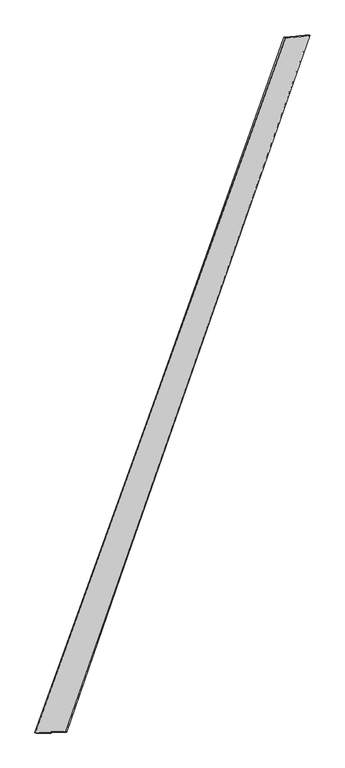
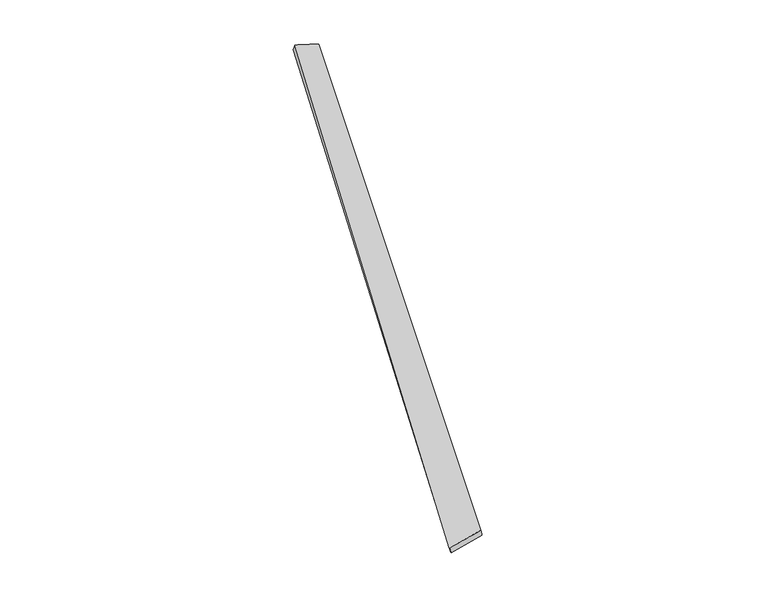
"""IFC4 building model written with IfcOpenShell, lengths in millimetres: proxy geometry."""

import ifcopenshell
import ifcopenshell.guid

model = None  # the IFC model being written
_history = None  # IfcOwnerHistory: only IFC2X3 demands one
_inside = {}  # id of a spatial element -> (the spatial element, [elements in it])
_under = {}  # id of a project, library or spatial element -> (it, [spatial elements below it])
_declared = {}  # id of a project -> (the project, [libraries it declares])
_typed = {}  # id of a type object -> (the type object, [elements of that type])
_made_of = {}  # id of a material, layer set ... -> (it, [elements and type objects made of it])


def new_model(schema):
    """Start an empty IFC model of exactly this schema.

    Asked for "IFC4X3", IfcOpenShell would pick the latest addendum, in which some entities
    have other attributes; the version numbers below select the first issue.
    IFC2X3 requires an IfcOwnerHistory on every rooted entity: one is made here for all.
    """
    global model, _history
    if schema == "IFC4X3":
        model = ifcopenshell.file(schema_version=(4, 3, 0, 0))
    else:
        model = ifcopenshell.file(schema=schema)
    _inside.clear()
    _under.clear()
    _declared.clear()
    _typed.clear()
    _made_of.clear()
    _history = None
    if model.schema == "IFC2X3":
        org = make("IfcOrganization", Name="unknown")
        user = make(
            "IfcPersonAndOrganization",
            ThePerson=make("IfcPerson", FamilyName="unknown"),
            TheOrganization=org,
        )
        app = make(
            "IfcApplication",
            ApplicationDeveloper=org,
            Version="unknown",
            ApplicationFullName="unknown",
            ApplicationIdentifier="unknown",
        )
        _history = make(
            "IfcOwnerHistory",
            OwningUser=user,
            OwningApplication=app,
            ChangeAction="ADDED",
            CreationDate=0,
        )
    return model


def make(cls, **values):
    """One entity of the class cls with the attributes given. An attribute that is None is left unset."""
    return model.create_entity(
        cls, **{name: value for name, value in values.items() if value is not None}
    )


def rooted(cls, **values):
    """An entity with a GlobalId (a new one), such as an element, a storey or a relation."""
    return make(cls, GlobalId=ifcopenshell.guid.new(), OwnerHistory=_history, **values)


def si_unit(unit_type, name, prefix=None):
    """IfcSIUnit, for example si_unit("LENGTHUNIT", "METRE", prefix="MILLI")."""
    return make("IfcSIUnit", UnitType=unit_type, Prefix=prefix, Name=name)


def assignment(units):
    """IfcUnitAssignment: the units of a project."""
    return None if units is None else make("IfcUnitAssignment", Units=units)


def point(xyz):
    """IfcCartesianPoint."""
    return None if xyz is None else make("IfcCartesianPoint", Coordinates=xyz)


def direction(xyz):
    """IfcDirection."""
    return None if xyz is None else make("IfcDirection", DirectionRatios=xyz)


def frame(location, z_axis=None, x_axis=None):
    """IfcAxis2Placement3D, a coordinate frame: its origin and axes. An axis left out is left unset."""
    return make(
        "IfcAxis2Placement3D",
        Location=point(location),
        Axis=direction(z_axis),
        RefDirection=direction(x_axis),
    )


def origin():
    """The frame at (0, 0, 0) with its axes left unset."""
    return frame((0.0, 0.0, 0.0))


def place(relative_to, where):
    """IfcLocalPlacement: puts the frame where relative to a parent placement (None: the world)."""
    return make(
        "IfcLocalPlacement", PlacementRelTo=relative_to, RelativePlacement=where
    )


def context(
    kind, dimensions, precision=None, world=None, true_north=None, identifier=None
):
    """IfcGeometricRepresentationContext, for example the 3D "Model" context."""
    return make(
        "IfcGeometricRepresentationContext",
        ContextIdentifier=identifier,
        ContextType=kind,
        CoordinateSpaceDimension=dimensions,
        Precision=precision,
        WorldCoordinateSystem=world,
        TrueNorth=true_north,
    )


def project(units=None, contexts=None):
    """IfcProject with its units and contexts."""
    return rooted(
        "IfcProject",
        Name="project",
        RepresentationContexts=contexts,
        UnitsInContext=assignment(units),
    )


def spatial(cls, under=None, at=None, **own):
    """A site, building, storey or space (cls), placed at a placement, below another one or the project."""
    s = rooted(cls, ObjectPlacement=at, **own)
    if under is not None:
        _under.setdefault(under.id(), (under, []))[1].append(s)
    return s


def shape(context_of_items, identifier, shape_type, items):
    """IfcShapeRepresentation: the items that make up one representation, for example the "Body"."""
    return make(
        "IfcShapeRepresentation",
        ContextOfItems=context_of_items,
        RepresentationIdentifier=identifier,
        RepresentationType=shape_type,
        Items=items,
    )


def source(mapping_origin, context_of_items, identifier, shape_type, items):
    """IfcRepresentationMap: a shape defined once, which mapped items show again and again."""
    return make(
        "IfcRepresentationMap",
        MappingOrigin=mapping_origin,
        MappedRepresentation=shape(context_of_items, identifier, shape_type, items),
    )


def transform(
    local_origin,
    x_axis=None,
    y_axis=None,
    z_axis=None,
    scale=None,
    scale2=None,
    scale3=None,
    uniform=True,
):
    """IfcCartesianTransformationOperator3D, or its non-uniform kind. x_axis, y_axis, z_axis: its Axis1, 2, 3."""
    if uniform:
        return make(
            "IfcCartesianTransformationOperator3D",
            Axis1=direction(x_axis),
            Axis2=direction(y_axis),
            LocalOrigin=point(local_origin),
            Scale=scale,
            Axis3=direction(z_axis),
        )
    return make(
        "IfcCartesianTransformationOperator3DnonUniform",
        Axis1=direction(x_axis),
        Axis2=direction(y_axis),
        LocalOrigin=point(local_origin),
        Scale=scale,
        Axis3=direction(z_axis),
        Scale2=scale2,
        Scale3=scale3,
    )


def mapped(mapping_source, mapping_target):
    """IfcMappedItem: shows the shape of a source again, moved by a transform."""
    return make(
        "IfcMappedItem", MappingSource=mapping_source, MappingTarget=mapping_target
    )


def made_of(thing, what):
    """Note that an element or type object is made of a material, layer set ...; save() writes the relation."""
    if what is not None:
        _made_of.setdefault(what.id(), (what, []))[1].append(thing)
    return thing


def element(
    cls,
    number,
    at=None,
    inside=None,
    cuts=None,
    type_object=None,
    material=None,
    context=None,
    identifier="Body",
    shape_type=None,
    held_by="IfcProductDefinitionShape",
    body=None,
    shapes=None,
    **own,
):
    """One element of the class cls, such as IfcWall. Its Tag is "e" and its number.

    at: its placement. inside: the storey or other place that contains it. cuts: it is an
    opening in that element (IfcRelVoidsElement). A single representation is given by context,
    identifier, shape_type and body (its items); several are given by shapes. held_by: the class
    of the entity that holds the representations. save() writes the other relations.
    """
    e = rooted(cls, Tag="e%d" % number, ObjectPlacement=at, **own)
    if body is not None:
        shapes = [shape(context, identifier, shape_type, body)]
    if shapes is not None:
        e.Representation = make(held_by, Representations=shapes)
    if inside is not None:
        _inside.setdefault(inside.id(), (inside, []))[1].append(e)
    if cuts is not None:
        rooted(
            "IfcRelVoidsElement", RelatingBuildingElement=cuts, RelatedOpeningElement=e
        )
    if type_object is not None:
        _typed.setdefault(type_object.id(), (type_object, []))[1].append(e)
    return made_of(e, material)


def aggregate(whole, parts):
    """IfcRelAggregates: a whole, such as a stair, and the parts it consists of."""
    return rooted("IfcRelAggregates", RelatingObject=whole, RelatedObjects=parts)


def save(model, path):
    """Write the relations noted so far, then the file.

    IfcRelAggregates (storeys below a building ...), IfcRelContainedInSpatialStructure (elements
    in a storey), IfcRelDefinesByType, IfcRelAssociatesMaterial and IfcRelDeclares: one each for
    every whole, place, type object, material and project.
    """
    for whole, parts in _under.values():
        aggregate(whole, parts)
    for where, things in _inside.values():
        rooted(
            "IfcRelContainedInSpatialStructure",
            RelatedElements=things,
            RelatingStructure=where,
        )
    for kind, things in _typed.values():
        rooted("IfcRelDefinesByType", RelatedObjects=things, RelatingType=kind)
    for what, things in _made_of.values():
        rooted("IfcRelAssociatesMaterial", RelatedObjects=things, RelatingMaterial=what)
    for by, libraries in _declared.values():
        rooted("IfcRelDeclares", RelatingContext=by, RelatedDefinitions=libraries)
    model.write(path)


def spline_surface(u_degree, v_degree, points, u_multiplicities, v_multiplicities, u_knots, v_knots, weights=None):
    """IfcBSplineSurfaceWithKnots; with weights, IfcRationalBSplineSurfaceWithKnots. points: one row for each step in u."""
    own = dict(
        UDegree=u_degree,
        VDegree=v_degree,
        ControlPointsList=[[point(p) for p in row] for row in points],
        SurfaceForm="UNSPECIFIED",
        UClosed=False,
        VClosed=False,
        SelfIntersect=False,
        UMultiplicities=u_multiplicities,
        VMultiplicities=v_multiplicities,
        UKnots=u_knots,
        VKnots=v_knots,
        KnotSpec="UNSPECIFIED",
    )
    if weights is None:
        return make("IfcBSplineSurfaceWithKnots", **own)
    return make("IfcRationalBSplineSurfaceWithKnots", WeightsData=weights, **own)


def advanced_brep(points, edges, surfaces, faces):
    """IfcAdvancedBrep: a solid bounded by faces that lie on surfaces and meet in shared edges.

    An edge is (start, end): straight between two places in points (the first is 0);
    or (start, end, curve); or (start, end, curve, False) where it runs against its curve.
    A face is (place in surfaces, loops), or (place, loops, False) where it looks against
    its surface's normal. A loop lists edges by number (the first is 1), with a minus sign
    where the edge is run from its end to its start. The first loop is the outer one.
    """
    corners = [point(p) for p in points]
    vertices = [make("IfcVertexPoint", VertexGeometry=c) for c in corners]
    made = []
    for start, end, *more in edges:
        made.append(
            make(
                "IfcEdgeCurve",
                EdgeStart=vertices[start],
                EdgeEnd=vertices[end],
                EdgeGeometry=more[0] if more else make("IfcPolyline", Points=[corners[start], corners[end]]),
                SameSense=more[1] if len(more) > 1 else True,
            )
        )
    hull = []
    for where, loops, *sense in faces:
        bounds = []
        for j, loop in enumerate(loops):
            ring = [make("IfcOrientedEdge", EdgeElement=made[abs(k) - 1], Orientation=k > 0) for k in loop]
            bounds.append(
                make(
                    "IfcFaceOuterBound" if j == 0 else "IfcFaceBound",
                    Bound=make("IfcEdgeLoop", EdgeList=ring),
                    Orientation=True,
                )
            )
        hull.append(make("IfcAdvancedFace", Bounds=bounds, FaceSurface=surfaces[where], SameSense=sense[0] if sense else True))
    return make("IfcAdvancedBrep", Outer=make("IfcClosedShell", CfsFaces=hull))


def generic_models_e08b6bd6(model_context):
    return source(origin(), model_context, "Body", "AdvancedBrep", [
        advanced_brep(
        [(-740.6872711, -1876.4077535, -19.8637148), (-748.6005967, -1873.9070781, 8.9655394), (738.3187183, 2242.2446289, 54.3993821), (729.2037898, 2245.810606, 26.0409286), (-564.5990288, -1868.27207, 49.2945426), (883.1898491, 2257.0356472, 1.1668768), (-559.5395338, -1870.3508516, 19.7974211), (871.0230151, 2260.947999, -25.9746348)],
        [
            (0, 1),
            (1, 2),
            (2, 3),
            (3, 0),
            (1, 4),
            (4, 5),
            (5, 2),
            (4, 6),
            (6, 7),
            (7, 5),
            (6, 0),
            (3, 7),
        ],
        [
            spline_surface(1, 1, [[(-740.6872711, -1876.4077535, -19.8637148), (729.2037898, 2245.810606, 26.0409286)], [(-748.6005967, -1873.9070781, 8.9655394), (738.3187183, 2242.2446289, 54.3993821)]], [2, 2], [2, 2], [0.0, 1.0], [0.0, 1.0]),
            spline_surface(1, 1, [[(-748.6005967, -1873.9070781, 8.9655394), (738.3187183, 2242.2446289, 54.3993821)], [(-564.5990288, -1868.27207, 49.2945426), (883.1898491, 2257.0356472, 1.1668768)]], [2, 2], [2, 2], [0.0, 1.0], [0.0, 1.0]),
            spline_surface(1, 1, [[(-564.5990288, -1868.27207, 49.2945426), (883.1898491, 2257.0356472, 1.1668768)], [(-559.5395338, -1870.3508516, 19.7974211), (871.0230151, 2260.947999, -25.9746348)]], [2, 2], [2, 2], [0.0, 1.0], [0.0, 1.0]),
            spline_surface(1, 1, [[(-559.5395338, -1870.3508516, 19.7974211), (871.0230151, 2260.947999, -25.9746348)], [(-740.6872711, -1876.4077535, -19.8637148), (729.2037898, 2245.810606, 26.0409286)]], [2, 2], [2, 2], [0.0, 1.0], [0.0, 1.0]),
            spline_surface(1, 1, [[(738.3187183, 2242.2446289, 54.3993821), (729.2037898, 2245.810606, 26.0409286)], [(883.1898491, 2257.0356472, 1.1668768), (871.0230151, 2260.947999, -25.9746348)]], [2, 2], [2, 2], [0.0, 1.0], [0.0, 1.0]),
            spline_surface(1, 1, [[(-559.5395338, -1870.3508516, 19.7974211), (-740.6872711, -1876.4077535, -19.8637148)], [(-564.5990288, -1868.27207, 49.2945426), (-748.6005967, -1873.9070781, 8.9655394)]], [2, 2], [2, 2], [0.0, 1.0], [0.0, 1.0]),
        ],
        [
            (0, [[1, 2, 3, 4]]),
            (1, [[5, 6, 7, -2]]),
            (2, [[8, 9, 10, -6]]),
            (3, [[11, -4, 12, -9]]),
            (4, [[-3, -7, -10, -12]]),
            (5, [[-11, -8, -5, -1]]),
        ],
    ),
    ])


if __name__ == "__main__":
    model = new_model("IFC4")
    model_context = context("Model", 3, world=origin())
    ifc_project = project(units=[si_unit("LENGTHUNIT", "METRE", prefix="MILLI")], contexts=[model_context])
    site = spatial("IfcSite", under=ifc_project)
    building = spatial("IfcBuilding", under=site)
    placement = place(None, origin())
    generic_models_shape = generic_models_e08b6bd6(model_context)
    element("IfcBuildingElementProxy", 1, Name="Generic Models", at=placement, inside=building, context=model_context, shape_type="MappedRepresentation", body=[
        mapped(generic_models_shape, transform((0.0, 0.0, 0.0), x_axis=(1.0, 0.0, 0.0), y_axis=(0.0, 1.0, 0.0), z_axis=(0.0, 0.0, 1.0))),
    ])
    save(model, "model.ifc")
